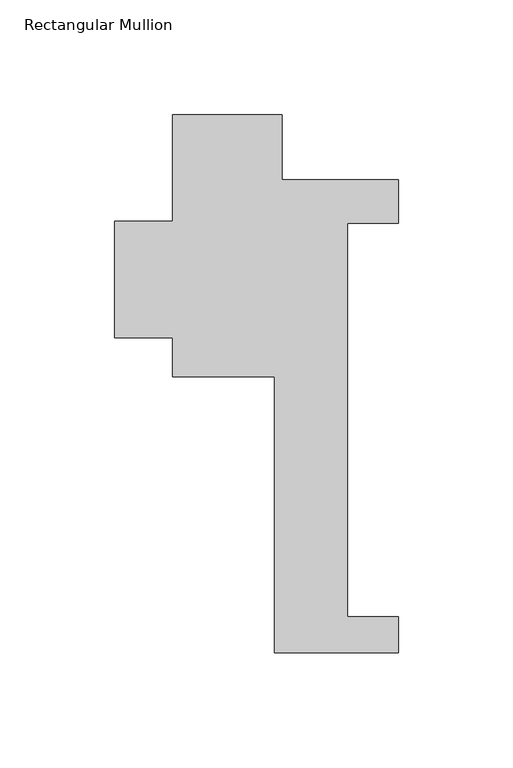
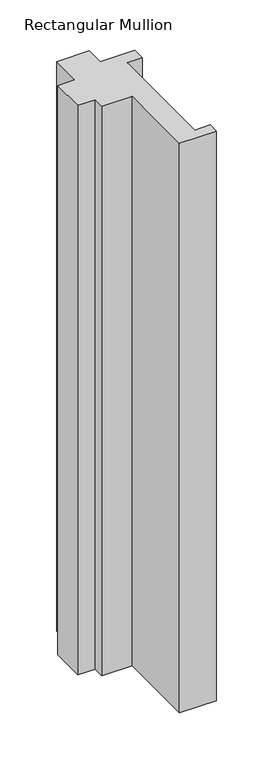
"""IFC4 building model written with IfcOpenShell, lengths in millimetres: member geometry, Rectangular Mullion."""

from ifc_helpers import new_model, si_unit, frame, origin, place, context, project, spatial, polyline, outline, extrude, source, transform, mapped, element, save


def rectangular_mullion_72f3773c(model_context):
    return source(origin(), model_context, "Body", "SweptSolid", [
        extrude(outline(polyline([(-15.875, -221.996), (-15.875, -101.6), (-60.325, -101.6), (-60.325, -84.5460633), (-85.725, -84.5460633), (-85.725, -33.7460633), (-60.325, -33.7460633), (-60.325, 12.7), (-12.7, 12.7), (-12.7, -15.621), (38.1, -15.621), (38.1, -34.671), (15.875, -34.671), (15.875, -206.121), (38.1, -206.121), (38.1, -221.996), (-15.875, -221.996)])), frame((0.0, 0.0, -882.6324588), z_axis=(0.0, 0.0, 1.0), x_axis=(1.0, 0.0, 0.0)), (0.0, 0.0, 1.0), 882.6324588),
    ])


if __name__ == "__main__":
    model = new_model("IFC4")
    model_context = context("Model", 3, world=origin())
    ifc_project = project(units=[si_unit("LENGTHUNIT", "METRE", prefix="MILLI")], contexts=[model_context])
    site = spatial("IfcSite", under=ifc_project)
    building = spatial("IfcBuilding", under=site)
    placement = place(None, origin())
    rectangular_mullion_shape = rectangular_mullion_72f3773c(model_context)
    element("IfcMember", 1, ObjectType="Rectangular Mullion", at=placement, inside=building, context=model_context, shape_type="MappedRepresentation", body=[
        mapped(rectangular_mullion_shape, transform((0.0, 0.0, 0.0), x_axis=(1.0, 0.0, 0.0), y_axis=(0.0, 1.0, 0.0), z_axis=(0.0, 0.0, 1.0))),
    ])
    save(model, "model.ifc")
